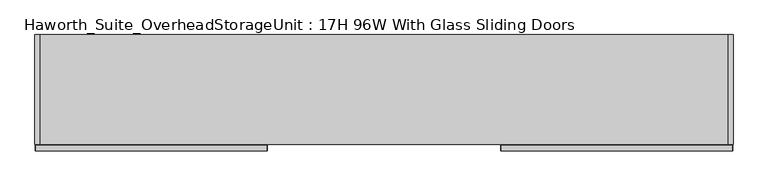
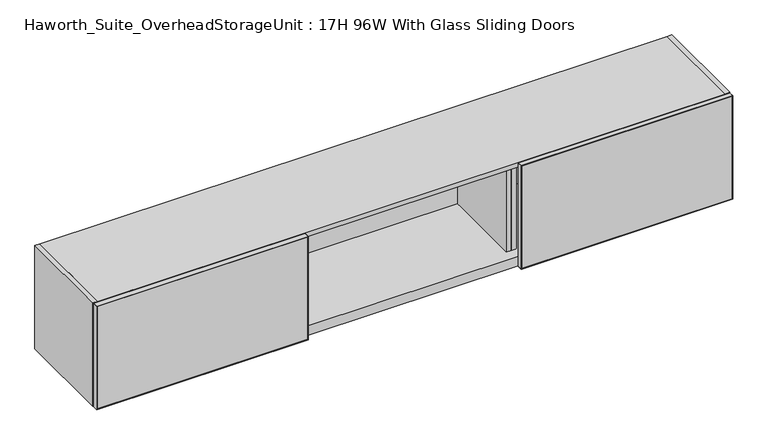
"""IFC4 building model written with IfcOpenShell, lengths in millimetres: furniture geometry, Haworth_Suite_OverheadStorageUnit : 17H 96W With Glass Sliding Doors."""

from ifc_helpers import new_model, si_unit, frame, origin, place, context, project, spatial, polyline, outline, extrude, source, transform, mapped, element, save


def haworth_suite_overheadstorageunit_17h_96w_with_glass_sliding_9f231425(model_context):
    return source(origin(), model_context, "Body", "SweptSolid", [
        extrude(outline(polyline([(1651.0, 395.2875), (1231.9, 395.2875), (1233.4875, 396.875), (1649.4125, 396.875), (1651.0, 395.2875)])), frame((0.0, -419.1, 0.0), z_axis=(0.0, 1.0, 0.0), x_axis=(0.0, 0.0, 1.0)), (0.0, 0.0, 1.0), 19.05),
        extrude(outline(polyline([(1651.0, 1204.9125), (1649.4125, 1203.325), (1233.4875, 1203.325), (1231.9, 1204.9125), (1651.0, 1204.9125)])), frame((0.0, -419.1, 0.0), z_axis=(0.0, 1.0, 0.0), x_axis=(0.0, 0.0, 1.0)), (0.0, 0.0, 1.0), 19.05),
        extrude(outline(polyline([(1649.4125, 396.875), (1649.4125, 1203.325), (1651.0, 1204.9125), (1651.0, 395.2875), (1649.4125, 396.875)])), frame((0.0, -419.1, 0.0), z_axis=(0.0, 1.0, 0.0), x_axis=(0.0, 0.0, 1.0)), (0.0, 0.0, 1.0), 19.05),
        extrude(outline(polyline([(1233.4875, 396.875), (1231.9, 395.2875), (1231.9, 1204.9125), (1233.4875, 1203.325), (1233.4875, 396.875)])), frame((0.0, -419.1, 0.0), z_axis=(0.0, 1.0, 0.0), x_axis=(0.0, 0.0, 1.0)), (0.0, 0.0, 1.0), 19.05),
        extrude(outline(polyline([(1203.325, -400.84375), (1203.325, -418.30625), (396.875, -418.30625), (396.875, -400.84375), (1203.325, -400.84375)])), frame((0.0, 0.0, 1233.4875), z_axis=(0.0, 0.0, 1.0), x_axis=(1.0, 0.0, 0.0)), (0.0, 0.0, 1.0), 415.925),
        extrude(outline(polyline([(1651.0, -420.6875), (1649.4125, -422.275), (1233.4875, -422.275), (1231.9, -420.6875), (1651.0, -420.6875)])), frame((0.0, -419.1, 0.0), z_axis=(0.0, 1.0, 0.0), x_axis=(0.0, 0.0, 1.0)), (0.0, 0.0, 1.0), 19.05),
        extrude(outline(polyline([(1651.0, -1230.3125), (1231.9, -1230.3125), (1233.4875, -1228.725), (1649.4125, -1228.725), (1651.0, -1230.3125)])), frame((0.0, -419.1, 0.0), z_axis=(0.0, 1.0, 0.0), x_axis=(0.0, 0.0, 1.0)), (0.0, 0.0, 1.0), 19.05),
        extrude(outline(polyline([(1649.4125, -422.275), (1651.0, -420.6875), (1651.0, -1230.3125), (1649.4125, -1228.725), (1649.4125, -422.275)])), frame((0.0, -419.1, 0.0), z_axis=(0.0, 1.0, 0.0), x_axis=(0.0, 0.0, 1.0)), (0.0, 0.0, 1.0), 19.05),
        extrude(outline(polyline([(1233.4875, -422.275), (1233.4875, -1228.725), (1231.9, -1230.3125), (1231.9, -420.6875), (1233.4875, -422.275)])), frame((0.0, -419.1, 0.0), z_axis=(0.0, 1.0, 0.0), x_axis=(0.0, 0.0, 1.0)), (0.0, 0.0, 1.0), 19.05),
        extrude(outline(polyline([(-1228.725, -400.84375), (-422.275, -400.84375), (-422.275, -418.30625), (-1228.725, -418.30625), (-1228.725, -400.84375)])), frame((0.0, 0.0, 1233.4875), z_axis=(0.0, 0.0, 1.0), x_axis=(1.0, 0.0, 0.0)), (0.0, 0.0, 1.0), 415.925),
        extrude(outline(polyline([(412.75, -31.75), (412.75, -355.6), (393.7, -355.6), (393.7, -31.75), (412.75, -31.75)])), frame((0.0, 0.0, 1270.0), z_axis=(0.0, 0.0, 1.0), x_axis=(1.0, 0.0, 0.0)), (0.0, 0.0, 1.0), 361.95),
        extrude(outline(polyline([(393.7, -31.75), (393.7, -355.6), (374.65, -355.6), (374.65, -31.75), (393.7, -31.75)])), frame((0.0, 0.0, 1270.0), z_axis=(0.0, 0.0, 1.0), x_axis=(1.0, 0.0, 0.0)), (0.0, 0.0, 1.0), 361.95),
        extrude(outline(polyline([(-400.05, -31.75), (-400.05, -355.6), (-419.1, -355.6), (-419.1, -31.75), (-400.05, -31.75)])), frame((0.0, 0.0, 1270.0), z_axis=(0.0, 0.0, 1.0), x_axis=(1.0, 0.0, 0.0)), (0.0, 0.0, 1.0), 361.95),
        extrude(outline(polyline([(-419.1, -31.75), (-419.1, -355.6), (-438.15, -355.6), (-438.15, -31.75), (-419.1, -31.75)])), frame((0.0, 0.0, 1270.0), z_axis=(0.0, 0.0, 1.0), x_axis=(1.0, 0.0, 0.0)), (0.0, 0.0, 1.0), 361.95),
        extrude(outline(polyline([(1187.45, -12.7), (1187.45, -396.875), (-1212.85, -396.875), (-1212.85, -12.7), (1187.45, -12.7)])), frame((0.0, 0.0, 1631.95), z_axis=(0.0, 0.0, 1.0), x_axis=(1.0, 0.0, 0.0)), (0.0, 0.0, 1.0), 19.05),
        extrude(outline(polyline([(1187.45, -12.7), (1187.45, -31.75), (-1212.85, -31.75), (-1212.85, -12.7), (1187.45, -12.7)])), frame((0.0, 0.0, 1231.9), z_axis=(0.0, 0.0, 1.0), x_axis=(1.0, 0.0, 0.0)), (0.0, 0.0, 1.0), 400.05),
        extrude(outline(polyline([(1187.45, -31.75), (1187.45, -396.875), (-1212.85, -396.875), (-1212.85, -31.75), (1187.45, -31.75)])), frame((0.0, 0.0, 1231.9), z_axis=(0.0, 0.0, 1.0), x_axis=(1.0, 0.0, 0.0)), (0.0, 0.0, 1.0), 38.1),
        extrude(outline(polyline([(-1212.85, -12.7), (-1212.85, -396.875), (-1231.9, -396.875), (-1231.9, -12.7), (-1212.85, -12.7)])), frame((0.0, 0.0, 1231.9), z_axis=(0.0, 0.0, 1.0), x_axis=(1.0, 0.0, 0.0)), (0.0, 0.0, 1.0), 419.1),
        extrude(outline(polyline([(1206.5, -396.875), (1187.45, -396.875), (1187.45, -12.7), (1206.5, -12.7), (1206.5, -396.875)])), frame((0.0, 0.0, 1231.9), z_axis=(0.0, 0.0, 1.0), x_axis=(1.0, 0.0, 0.0)), (0.0, 0.0, 1.0), 419.1),
    ])


if __name__ == "__main__":
    model = new_model("IFC4")
    model_context = context("Model", 3, world=origin())
    ifc_project = project(units=[si_unit("LENGTHUNIT", "METRE", prefix="MILLI")], contexts=[model_context])
    site = spatial("IfcSite", under=ifc_project)
    building = spatial("IfcBuilding", under=site)
    placement = place(None, origin())
    haworth_suite_overheadstorageunit_17h_96w_with_glass_sliding_shape = haworth_suite_overheadstorageunit_17h_96w_with_glass_sliding_9f231425(model_context)
    element("IfcFurniture", 1, ObjectType="Haworth_Suite_OverheadStorageUnit : 17H 96W With Glass Sliding Doors", at=placement, inside=building, context=model_context, shape_type="MappedRepresentation", body=[
        mapped(haworth_suite_overheadstorageunit_17h_96w_with_glass_sliding_shape, transform((0.0, 0.0, 0.0), x_axis=(1.0, 0.0, 0.0), y_axis=(0.0, 1.0, 0.0), z_axis=(0.0, 0.0, 1.0))),
    ])
    save(model, "model.ifc")
